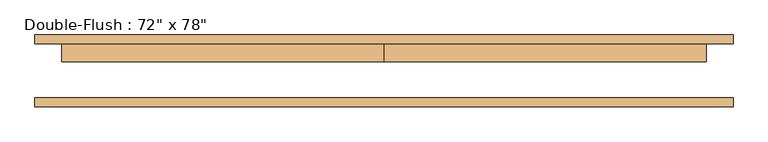
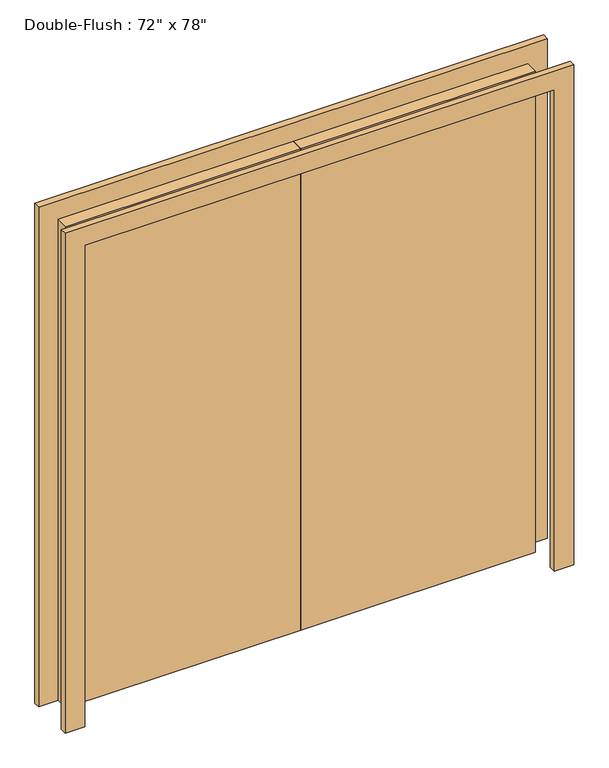
"""IFC4 building model written with IfcOpenShell, lengths in millimetres: door geometry."""

import ifcopenshell
import ifcopenshell.guid

model = None  # the IFC model being written
_history = None  # IfcOwnerHistory: only IFC2X3 demands one
_inside = {}  # id of a spatial element -> (the spatial element, [elements in it])
_under = {}  # id of a project, library or spatial element -> (it, [spatial elements below it])
_declared = {}  # id of a project -> (the project, [libraries it declares])
_typed = {}  # id of a type object -> (the type object, [elements of that type])
_made_of = {}  # id of a material, layer set ... -> (it, [elements and type objects made of it])


def new_model(schema):
    """Start an empty IFC model of exactly this schema.

    Asked for "IFC4X3", IfcOpenShell would pick the latest addendum, in which some entities
    have other attributes; the version numbers below select the first issue.
    IFC2X3 requires an IfcOwnerHistory on every rooted entity: one is made here for all.
    """
    global model, _history
    if schema == "IFC4X3":
        model = ifcopenshell.file(schema_version=(4, 3, 0, 0))
    else:
        model = ifcopenshell.file(schema=schema)
    _inside.clear()
    _under.clear()
    _declared.clear()
    _typed.clear()
    _made_of.clear()
    _history = None
    if model.schema == "IFC2X3":
        org = make("IfcOrganization", Name="unknown")
        user = make(
            "IfcPersonAndOrganization",
            ThePerson=make("IfcPerson", FamilyName="unknown"),
            TheOrganization=org,
        )
        app = make(
            "IfcApplication",
            ApplicationDeveloper=org,
            Version="unknown",
            ApplicationFullName="unknown",
            ApplicationIdentifier="unknown",
        )
        _history = make(
            "IfcOwnerHistory",
            OwningUser=user,
            OwningApplication=app,
            ChangeAction="ADDED",
            CreationDate=0,
        )
    return model


def make(cls, **values):
    """One entity of the class cls with the attributes given. An attribute that is None is left unset."""
    return model.create_entity(
        cls, **{name: value for name, value in values.items() if value is not None}
    )


def rooted(cls, **values):
    """An entity with a GlobalId (a new one), such as an element, a storey or a relation."""
    return make(cls, GlobalId=ifcopenshell.guid.new(), OwnerHistory=_history, **values)


def si_unit(unit_type, name, prefix=None):
    """IfcSIUnit, for example si_unit("LENGTHUNIT", "METRE", prefix="MILLI")."""
    return make("IfcSIUnit", UnitType=unit_type, Prefix=prefix, Name=name)


def assignment(units):
    """IfcUnitAssignment: the units of a project."""
    return None if units is None else make("IfcUnitAssignment", Units=units)


def point(xyz):
    """IfcCartesianPoint."""
    return None if xyz is None else make("IfcCartesianPoint", Coordinates=xyz)


def direction(xyz):
    """IfcDirection."""
    return None if xyz is None else make("IfcDirection", DirectionRatios=xyz)


def frame(location, z_axis=None, x_axis=None):
    """IfcAxis2Placement3D, a coordinate frame: its origin and axes. An axis left out is left unset."""
    return make(
        "IfcAxis2Placement3D",
        Location=point(location),
        Axis=direction(z_axis),
        RefDirection=direction(x_axis),
    )


def origin():
    """The frame at (0, 0, 0) with its axes left unset."""
    return frame((0.0, 0.0, 0.0))


def origin_with_axes():
    """The frame at (0, 0, 0) with the z axis (0, 0, 1) and the x axis (1, 0, 0) written out."""
    return frame((0.0, 0.0, 0.0), z_axis=(0.0, 0.0, 1.0), x_axis=(1.0, 0.0, 0.0))


def place(relative_to, where):
    """IfcLocalPlacement: puts the frame where relative to a parent placement (None: the world)."""
    return make(
        "IfcLocalPlacement", PlacementRelTo=relative_to, RelativePlacement=where
    )


def context(
    kind, dimensions, precision=None, world=None, true_north=None, identifier=None
):
    """IfcGeometricRepresentationContext, for example the 3D "Model" context."""
    return make(
        "IfcGeometricRepresentationContext",
        ContextIdentifier=identifier,
        ContextType=kind,
        CoordinateSpaceDimension=dimensions,
        Precision=precision,
        WorldCoordinateSystem=world,
        TrueNorth=true_north,
    )


def project(units=None, contexts=None):
    """IfcProject with its units and contexts."""
    return rooted(
        "IfcProject",
        Name="project",
        RepresentationContexts=contexts,
        UnitsInContext=assignment(units),
    )


def spatial(cls, under=None, at=None, **own):
    """A site, building, storey or space (cls), placed at a placement, below another one or the project."""
    s = rooted(cls, ObjectPlacement=at, **own)
    if under is not None:
        _under.setdefault(under.id(), (under, []))[1].append(s)
    return s


def polyline(points):
    """IfcPolyline through the points."""
    return make("IfcPolyline", Points=[point(p) for p in points])


def outline(outer, holes=None, kind="AREA"):
    """IfcArbitraryClosedProfileDef: a profile drawn as a closed curve; with holes, ...WithVoids."""
    if holes is None:
        return make("IfcArbitraryClosedProfileDef", ProfileType=kind, OuterCurve=outer)
    return make(
        "IfcArbitraryProfileDefWithVoids",
        ProfileType=kind,
        OuterCurve=outer,
        InnerCurves=holes,
    )


def extrude(swept, where, along, depth):
    """IfcExtrudedAreaSolid: the profile swept, set in the frame where, extruded along a direction by depth."""
    return make(
        "IfcExtrudedAreaSolid",
        SweptArea=swept,
        Position=where,
        ExtrudedDirection=direction(along),
        Depth=depth,
    )


def shape(context_of_items, identifier, shape_type, items):
    """IfcShapeRepresentation: the items that make up one representation, for example the "Body"."""
    return make(
        "IfcShapeRepresentation",
        ContextOfItems=context_of_items,
        RepresentationIdentifier=identifier,
        RepresentationType=shape_type,
        Items=items,
    )


def source(mapping_origin, context_of_items, identifier, shape_type, items):
    """IfcRepresentationMap: a shape defined once, which mapped items show again and again."""
    return make(
        "IfcRepresentationMap",
        MappingOrigin=mapping_origin,
        MappedRepresentation=shape(context_of_items, identifier, shape_type, items),
    )


def transform(
    local_origin,
    x_axis=None,
    y_axis=None,
    z_axis=None,
    scale=None,
    scale2=None,
    scale3=None,
    uniform=True,
):
    """IfcCartesianTransformationOperator3D, or its non-uniform kind. x_axis, y_axis, z_axis: its Axis1, 2, 3."""
    if uniform:
        return make(
            "IfcCartesianTransformationOperator3D",
            Axis1=direction(x_axis),
            Axis2=direction(y_axis),
            LocalOrigin=point(local_origin),
            Scale=scale,
            Axis3=direction(z_axis),
        )
    return make(
        "IfcCartesianTransformationOperator3DnonUniform",
        Axis1=direction(x_axis),
        Axis2=direction(y_axis),
        LocalOrigin=point(local_origin),
        Scale=scale,
        Axis3=direction(z_axis),
        Scale2=scale2,
        Scale3=scale3,
    )


def mapped(mapping_source, mapping_target):
    """IfcMappedItem: shows the shape of a source again, moved by a transform."""
    return make(
        "IfcMappedItem", MappingSource=mapping_source, MappingTarget=mapping_target
    )


def made_of(thing, what):
    """Note that an element or type object is made of a material, layer set ...; save() writes the relation."""
    if what is not None:
        _made_of.setdefault(what.id(), (what, []))[1].append(thing)
    return thing


def element(
    cls,
    number,
    at=None,
    inside=None,
    cuts=None,
    type_object=None,
    material=None,
    context=None,
    identifier="Body",
    shape_type=None,
    held_by="IfcProductDefinitionShape",
    body=None,
    shapes=None,
    **own,
):
    """One element of the class cls, such as IfcWall. Its Tag is "e" and its number.

    at: its placement. inside: the storey or other place that contains it. cuts: it is an
    opening in that element (IfcRelVoidsElement). A single representation is given by context,
    identifier, shape_type and body (its items); several are given by shapes. held_by: the class
    of the entity that holds the representations. save() writes the other relations.
    """
    e = rooted(cls, Tag="e%d" % number, ObjectPlacement=at, **own)
    if body is not None:
        shapes = [shape(context, identifier, shape_type, body)]
    if shapes is not None:
        e.Representation = make(held_by, Representations=shapes)
    if inside is not None:
        _inside.setdefault(inside.id(), (inside, []))[1].append(e)
    if cuts is not None:
        rooted(
            "IfcRelVoidsElement", RelatingBuildingElement=cuts, RelatedOpeningElement=e
        )
    if type_object is not None:
        _typed.setdefault(type_object.id(), (type_object, []))[1].append(e)
    return made_of(e, material)


def aggregate(whole, parts):
    """IfcRelAggregates: a whole, such as a stair, and the parts it consists of."""
    return rooted("IfcRelAggregates", RelatingObject=whole, RelatedObjects=parts)


def save(model, path):
    """Write the relations noted so far, then the file.

    IfcRelAggregates (storeys below a building ...), IfcRelContainedInSpatialStructure (elements
    in a storey), IfcRelDefinesByType, IfcRelAssociatesMaterial and IfcRelDeclares: one each for
    every whole, place, type object, material and project.
    """
    for whole, parts in _under.values():
        aggregate(whole, parts)
    for where, things in _inside.values():
        rooted(
            "IfcRelContainedInSpatialStructure",
            RelatedElements=things,
            RelatingStructure=where,
        )
    for kind, things in _typed.values():
        rooted("IfcRelDefinesByType", RelatedObjects=things, RelatingType=kind)
    for what, things in _made_of.values():
        rooted("IfcRelAssociatesMaterial", RelatedObjects=things, RelatingMaterial=what)
    for by, libraries in _declared.values():
        rooted("IfcRelDeclares", RelatingContext=by, RelatedDefinitions=libraries)
    model.write(path)


def door_28e03101(model_context):
    return source(origin(), model_context, "Body", "SweptSolid", [
        extrude(outline(polyline([(0.0, 76.2), (914.4, 76.2), (914.4, 25.4), (0.0, 25.4), (0.0, 76.2)])), origin_with_axes(), (0.0, 0.0, 1.0), 1981.2),
        extrude(outline(polyline([(-914.4, 76.2), (0.0, 76.2), (0.0, 25.4), (-914.4, 25.4), (-914.4, 76.2)])), origin_with_axes(), (0.0, 0.0, 1.0), 1981.2),
        extrude(outline(polyline([(1981.2, -914.4), (1981.2, 914.4), (0.0, 914.4), (0.0, 990.6), (2057.4, 990.6), (2057.4, -990.6), (0.0, -990.6), (0.0, -914.4), (1981.2, -914.4)])), frame((0.0, -101.6, 0.0), z_axis=(0.0, 1.0, 0.0), x_axis=(0.0, 0.0, 1.0)), (0.0, 0.0, 1.0), 25.4),
        extrude(outline(polyline([(1981.2, -914.4), (1981.2, 914.4), (0.0, 914.4), (0.0, 990.6), (2057.4, 990.6), (2057.4, -990.6), (0.0, -990.6), (0.0, -914.4), (1981.2, -914.4)])), frame((0.0, 76.2, 0.0), z_axis=(0.0, 1.0, 0.0), x_axis=(0.0, 0.0, 1.0)), (0.0, 0.0, 1.0), 25.4),
    ])


if __name__ == "__main__":
    model = new_model("IFC4")
    model_context = context("Model", 3, world=origin())
    ifc_project = project(units=[si_unit("LENGTHUNIT", "METRE", prefix="MILLI")], contexts=[model_context])
    site = spatial("IfcSite", under=ifc_project)
    building = spatial("IfcBuilding", under=site)
    placement = place(None, origin())
    door_shape = door_28e03101(model_context)
    element("IfcDoor", 1, ObjectType="Double-Flush : 72\" x 78\"", at=placement, inside=building, context=model_context, shape_type="MappedRepresentation", body=[
        mapped(door_shape, transform((0.0, 0.0, 0.0), x_axis=(1.0, 0.0, 0.0), y_axis=(0.0, 1.0, 0.0), z_axis=(0.0, 0.0, 1.0))),
    ])
    save(model, "model.ifc")
